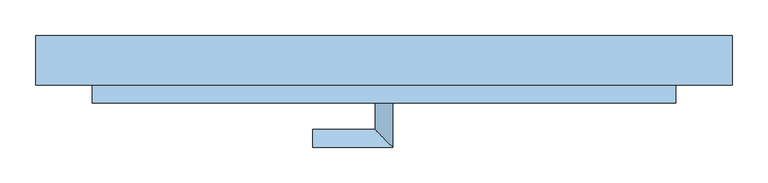
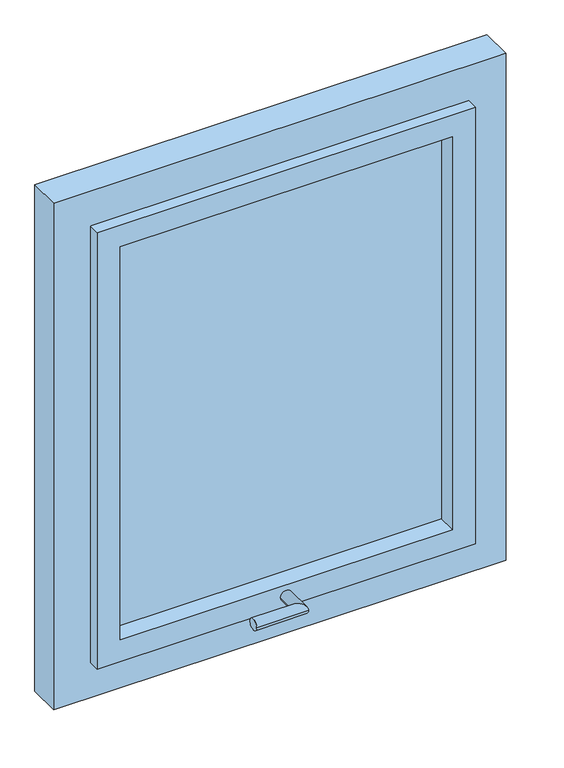
"""IFC4 building model written with IfcOpenShell, lengths in millimetres: window geometry."""

from ifc_helpers import new_model, si_unit, frame, origin, place, context, project, spatial, polyline, circle_curve, ellipse_curve, outline, extrude, faceted_brep, source, transform, mapped, element, save
from ifc_brep_helpers import plane_surface, cylinder_surface, advanced_brep


def window_c3153de1(model_context):
    return source(origin(), model_context, "Body", "SolidModel", [
        advanced_brep(
        [(244.3584094, -139.9407167, 1005.0), (269.3584094, -139.9407167, 1005.0), (244.3584094, -177.4407167, 1005.0), (269.3584094, -202.4407167, 1005.0), (156.8584094, -177.4407167, 1005.0), (156.8584094, -202.4407167, 1005.0)],
        [
            (0, 1, circle_curve(frame((256.8584094, -139.9407167, 1005.0), z_axis=(0.0, 1.0, 0.0), x_axis=(1.0, 0.0, 0.0)), 12.5)),
            (1, 0, circle_curve(frame((256.8584094, -139.9407167, 1005.0), z_axis=(0.0, 1.0, 0.0), x_axis=(1.0, 0.0, 0.0)), 12.5)),
            (0, 2),
            (2, 3, ellipse_curve(frame((256.8584094, -189.9407167, 1005.0), z_axis=(0.7071067811865475, 0.7071067811865475, 0.0), x_axis=(-0.7071067811865474, 0.7071067811865476, 0.0)), 17.6776695, 12.5)),
            (3, 1),
            (3, 2, ellipse_curve(frame((256.8584094, -189.9407167, 1005.0), z_axis=(0.7071067811865475, 0.7071067811865475, 0.0), x_axis=(-0.7071067811865474, 0.7071067811865476, 0.0)), 17.6776695, 12.5)),
            (4, 5, circle_curve(frame((156.8584094, -189.9407167, 1005.0), z_axis=(-1.0, 0.0, 0.0), x_axis=(0.0, -1.0, 0.0)), 12.5)),
            (5, 4, circle_curve(frame((156.8584094, -189.9407167, 1005.0), z_axis=(-1.0, 0.0, 0.0), x_axis=(0.0, -1.0, 0.0)), 12.5)),
            (2, 4),
            (5, 3),
        ],
        [
            plane_surface(frame((256.8584094, -139.9407167, 1005.0), z_axis=(0.0, 1.0, 0.0), x_axis=(0.0, 0.0, 1.0))),
            cylinder_surface(frame((256.8584094, -139.9407167, 1005.0), z_axis=(0.0, 1.0, 0.0), x_axis=(1.0, 0.0, 0.0)), 12.5),
            plane_surface(frame((156.8584094, -189.9407167, 1005.0), z_axis=(-1.0, 0.0, 0.0), x_axis=(0.0, 0.0, 1.0))),
            cylinder_surface(frame((256.8584094, -189.9407167, 1005.0), z_axis=(1.0, 0.0, 0.0), x_axis=(0.0, -1.0, 0.0)), 12.5),
        ],
        [
            (0, [[1, 2]]),
            (1, [[-1, 3, 4, 5]]),
            (1, [[-2, -5, 6, -3]]),
            (2, [[7, 8]]),
            (3, [[-4, 9, -8, 10]]),
            (3, [[-6, -10, -7, -9]]),
        ],
    ),
        extrude(outline(polyline([(616.8584094, -90.9407167), (616.8584094, -98.9407167), (-103.1415906, -98.9407167), (-103.1415906, -90.9407167), (616.8584094, -90.9407167)])), frame((0.0, 0.0, 1030.0), z_axis=(0.0, 0.0, 1.0), x_axis=(1.0, 0.0, 0.0)), (0.0, 0.0, 1.0), 900.0),
        faceted_brep([(-153.1415906, -69.9407167, 980.0), (666.8584094, -69.9407167, 980.0), (666.8584094, -114.9407167, 980.0), (666.8584094, -139.9407167, 980.0), (-153.1415906, -139.9407167, 980.0), (-153.1415906, -114.9407167, 980.0), (-103.1415906, -69.9407167, 1030.0), (-103.1415906, -139.9407167, 1030.0), (616.8584094, -139.9407167, 1030.0), (616.8584094, -69.9407167, 1030.0), (666.8584094, -69.9407167, 1980.0), (666.8584094, -114.9407167, 1980.0), (666.8584094, -139.9407167, 1980.0), (616.8584094, -139.9407167, 1930.0), (616.8584094, -69.9407167, 1930.0), (-153.1415906, -69.9407167, 1980.0), (-153.1415906, -114.9407167, 1980.0), (-153.1415906, -139.9407167, 1980.0), (-103.1415906, -139.9407167, 1930.0), (-103.1415906, -69.9407167, 1930.0)], [[[0, 1, 2, 3, 4, 5]], [[6, 7, 8, 9]], [[1, 10, 11, 12, 3, 2]], [[9, 8, 13, 14]], [[10, 15, 16, 17, 12, 11]], [[14, 13, 18, 19]], [[1, 0, 15, 10], [6, 9, 14, 19]], [[15, 0, 5, 4, 17, 16]], [[4, 3, 12, 17], [8, 7, 18, 13]], [[7, 6, 19, 18]]]),
        extrude(outline(polyline([(2060.0, 746.8584094), (2060.0, -233.1415906), (900.0, -233.1415906), (900.0, 746.8584094), (2060.0, 746.8584094)]), holes=[polyline([(1980.0, -153.1415906), (1980.0, 666.8584094), (980.0, 666.8584094), (980.0, -153.1415906), (1980.0, -153.1415906)])]), frame((0.0, -114.9407167, 0.0), z_axis=(0.0, 1.0, 0.0), x_axis=(0.0, 0.0, 1.0)), (0.0, 0.0, 1.0), 70.0),
    ])


if __name__ == "__main__":
    model = new_model("IFC4")
    model_context = context("Model", 3, world=origin())
    ifc_project = project(units=[si_unit("LENGTHUNIT", "METRE", prefix="MILLI")], contexts=[model_context])
    site = spatial("IfcSite", under=ifc_project)
    building = spatial("IfcBuilding", under=site)
    placement = place(None, origin())
    window_shape = window_c3153de1(model_context)
    element("IfcWindow", 1, at=placement, inside=building, context=model_context, shape_type="MappedRepresentation", body=[
        mapped(window_shape, transform((0.0, 0.0, 0.0), x_axis=(1.0, 0.0, 0.0), y_axis=(0.0, 1.0, 0.0), z_axis=(0.0, 0.0, 1.0))),
    ])
    save(model, "model.ifc")
